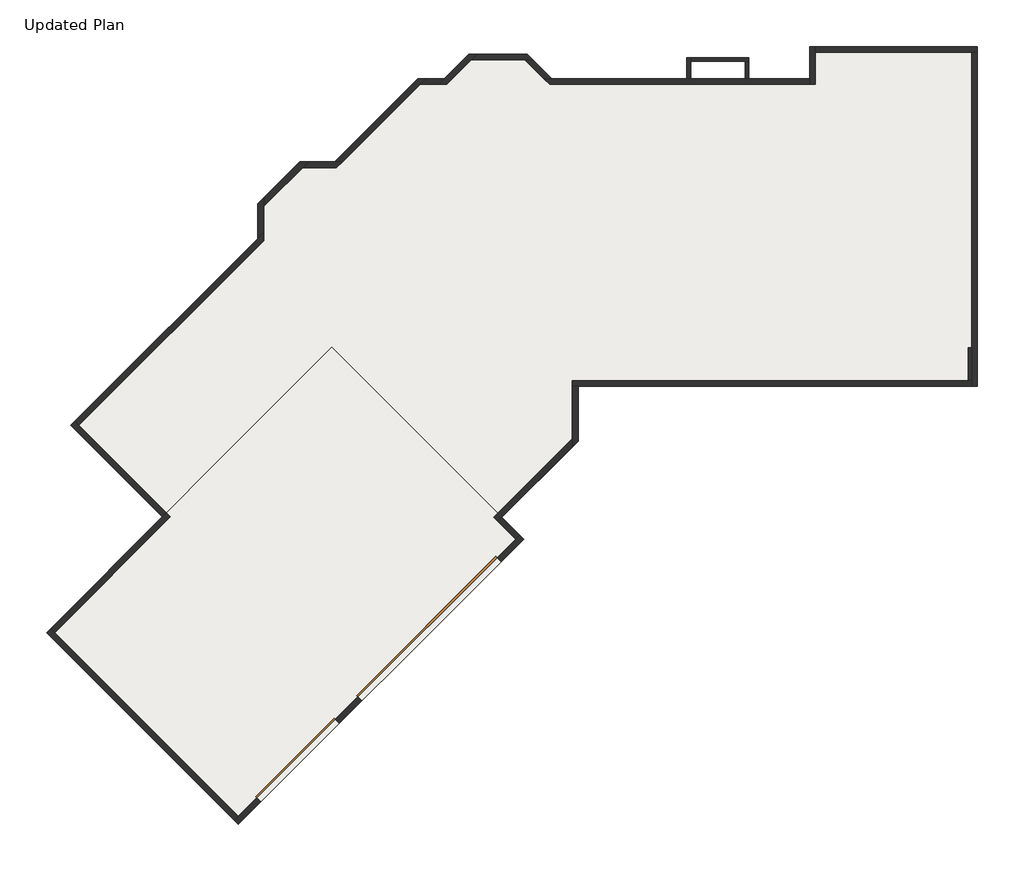
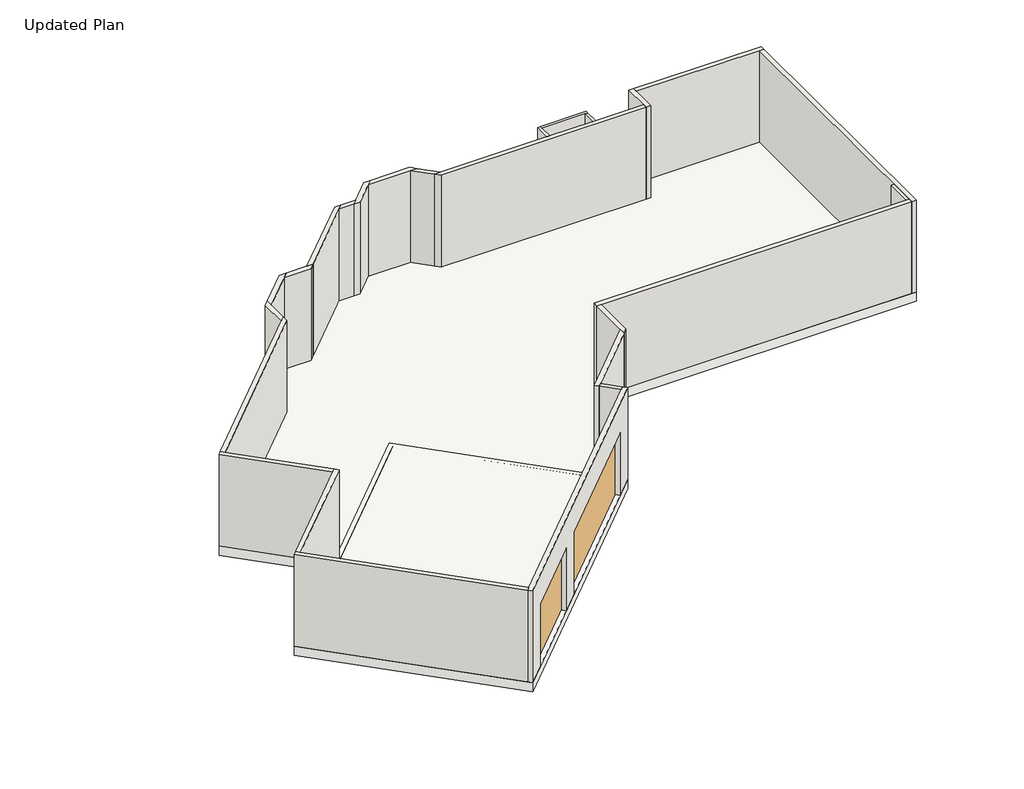
# One storey: 25 walls, 2 doors, 2 slabs.
"""IFC4 building model written with IfcOpenShell, lengths in millimetres."""

import ifcopenshell
import ifcopenshell.guid

model = None  # the IFC model being written
_history = None  # IfcOwnerHistory: only IFC2X3 demands one
_inside = {}  # id of a spatial element -> (the spatial element, [elements in it])
_under = {}  # id of a project, library or spatial element -> (it, [spatial elements below it])
_declared = {}  # id of a project -> (the project, [libraries it declares])
_typed = {}  # id of a type object -> (the type object, [elements of that type])
_made_of = {}  # id of a material, layer set ... -> (it, [elements and type objects made of it])


def new_model(schema):
    """Start an empty IFC model of exactly this schema.

    Asked for "IFC4X3", IfcOpenShell would pick the latest addendum, in which some entities
    have other attributes; the version numbers below select the first issue.
    IFC2X3 requires an IfcOwnerHistory on every rooted entity: one is made here for all.
    """
    global model, _history
    if schema == "IFC4X3":
        model = ifcopenshell.file(schema_version=(4, 3, 0, 0))
    else:
        model = ifcopenshell.file(schema=schema)
    _inside.clear()
    _under.clear()
    _declared.clear()
    _typed.clear()
    _made_of.clear()
    _history = None
    if model.schema == "IFC2X3":
        org = make("IfcOrganization", Name="unknown")
        user = make(
            "IfcPersonAndOrganization",
            ThePerson=make("IfcPerson", FamilyName="unknown"),
            TheOrganization=org,
        )
        app = make(
            "IfcApplication",
            ApplicationDeveloper=org,
            Version="unknown",
            ApplicationFullName="unknown",
            ApplicationIdentifier="unknown",
        )
        _history = make(
            "IfcOwnerHistory",
            OwningUser=user,
            OwningApplication=app,
            ChangeAction="ADDED",
            CreationDate=0,
        )
    return model


def make(cls, **values):
    """One entity of the class cls with the attributes given. An attribute that is None is left unset."""
    return model.create_entity(
        cls, **{name: value for name, value in values.items() if value is not None}
    )


def rooted(cls, **values):
    """An entity with a GlobalId (a new one), such as an element, a storey or a relation."""
    return make(cls, GlobalId=ifcopenshell.guid.new(), OwnerHistory=_history, **values)


def si_unit(unit_type, name, prefix=None):
    """IfcSIUnit, for example si_unit("LENGTHUNIT", "METRE", prefix="MILLI")."""
    return make("IfcSIUnit", UnitType=unit_type, Prefix=prefix, Name=name)


def assignment(units):
    """IfcUnitAssignment: the units of a project."""
    return None if units is None else make("IfcUnitAssignment", Units=units)


def point(xyz):
    """IfcCartesianPoint."""
    return None if xyz is None else make("IfcCartesianPoint", Coordinates=xyz)


def direction(xyz):
    """IfcDirection."""
    return None if xyz is None else make("IfcDirection", DirectionRatios=xyz)


def frame(location, z_axis=None, x_axis=None):
    """IfcAxis2Placement3D, a coordinate frame: its origin and axes. An axis left out is left unset."""
    return make(
        "IfcAxis2Placement3D",
        Location=point(location),
        Axis=direction(z_axis),
        RefDirection=direction(x_axis),
    )


def origin():
    """The frame at (0, 0, 0) with its axes left unset."""
    return frame((0.0, 0.0, 0.0))


def origin_with_axes():
    """The frame at (0, 0, 0) with the z axis (0, 0, 1) and the x axis (1, 0, 0) written out."""
    return frame((0.0, 0.0, 0.0), z_axis=(0.0, 0.0, 1.0), x_axis=(1.0, 0.0, 0.0))


def place(relative_to, where):
    """IfcLocalPlacement: puts the frame where relative to a parent placement (None: the world)."""
    return make(
        "IfcLocalPlacement", PlacementRelTo=relative_to, RelativePlacement=where
    )


def context(
    kind, dimensions, precision=None, world=None, true_north=None, identifier=None
):
    """IfcGeometricRepresentationContext, for example the 3D "Model" context."""
    return make(
        "IfcGeometricRepresentationContext",
        ContextIdentifier=identifier,
        ContextType=kind,
        CoordinateSpaceDimension=dimensions,
        Precision=precision,
        WorldCoordinateSystem=world,
        TrueNorth=true_north,
    )


def project(units=None, contexts=None):
    """IfcProject with its units and contexts."""
    return rooted(
        "IfcProject",
        Name="project",
        RepresentationContexts=contexts,
        UnitsInContext=assignment(units),
    )


def spatial(cls, under=None, at=None, **own):
    """A site, building, storey or space (cls), placed at a placement, below another one or the project."""
    s = rooted(cls, ObjectPlacement=at, **own)
    if under is not None:
        _under.setdefault(under.id(), (under, []))[1].append(s)
    return s


def polyline(points):
    """IfcPolyline through the points."""
    return make("IfcPolyline", Points=[point(p) for p in points])


def outline(outer, holes=None, kind="AREA"):
    """IfcArbitraryClosedProfileDef: a profile drawn as a closed curve; with holes, ...WithVoids."""
    if holes is None:
        return make("IfcArbitraryClosedProfileDef", ProfileType=kind, OuterCurve=outer)
    return make(
        "IfcArbitraryProfileDefWithVoids",
        ProfileType=kind,
        OuterCurve=outer,
        InnerCurves=holes,
    )


def extrude(swept, where, along, depth):
    """IfcExtrudedAreaSolid: the profile swept, set in the frame where, extruded along a direction by depth."""
    return make(
        "IfcExtrudedAreaSolid",
        SweptArea=swept,
        Position=where,
        ExtrudedDirection=direction(along),
        Depth=depth,
    )


def faces_of(points, faces, orient=None, outer=None):
    """IfcFace entities. A face is a list of loops; a loop is a list of indices into points, from 0.

    orient and outer hold one flag for each loop. By default every Orientation is true, the
    first loop of a face is its IfcFaceOuterBound and the others are IfcFaceBound.
    """
    made = []
    for i, loops in enumerate(faces):
        bounds = []
        for j, loop in enumerate(loops):
            is_outer = j == 0 if outer is None else outer[i][j]
            bounds.append(
                make(
                    "IfcFaceOuterBound" if is_outer else "IfcFaceBound",
                    Bound=make("IfcPolyLoop", Polygon=[points[k] for k in loop]),
                    Orientation=True if orient is None else orient[i][j],
                )
            )
        made.append(make("IfcFace", Bounds=bounds))
    return made


def faceted_brep(points, faces, orient=None, outer=None, voids=None):
    """IfcFacetedBrep: a solid bounded by flat faces; with voids (closed shells), ...WithVoids."""
    shared = [point(p) for p in points]
    hull = make("IfcClosedShell", CfsFaces=faces_of(shared, faces, orient, outer))
    if voids is None:
        return make("IfcFacetedBrep", Outer=hull)
    return make(
        "IfcFacetedBrepWithVoids",
        Outer=hull,
        Voids=[
            make(cls, CfsFaces=faces_of(shared, fs, o, b)) for cls, fs, o, b in voids
        ],
    )


def shape(context_of_items, identifier, shape_type, items):
    """IfcShapeRepresentation: the items that make up one representation, for example the "Body"."""
    return make(
        "IfcShapeRepresentation",
        ContextOfItems=context_of_items,
        RepresentationIdentifier=identifier,
        RepresentationType=shape_type,
        Items=items,
    )


def source(mapping_origin, context_of_items, identifier, shape_type, items):
    """IfcRepresentationMap: a shape defined once, which mapped items show again and again."""
    return make(
        "IfcRepresentationMap",
        MappingOrigin=mapping_origin,
        MappedRepresentation=shape(context_of_items, identifier, shape_type, items),
    )


def transform(
    local_origin,
    x_axis=None,
    y_axis=None,
    z_axis=None,
    scale=None,
    scale2=None,
    scale3=None,
    uniform=True,
):
    """IfcCartesianTransformationOperator3D, or its non-uniform kind. x_axis, y_axis, z_axis: its Axis1, 2, 3."""
    if uniform:
        return make(
            "IfcCartesianTransformationOperator3D",
            Axis1=direction(x_axis),
            Axis2=direction(y_axis),
            LocalOrigin=point(local_origin),
            Scale=scale,
            Axis3=direction(z_axis),
        )
    return make(
        "IfcCartesianTransformationOperator3DnonUniform",
        Axis1=direction(x_axis),
        Axis2=direction(y_axis),
        LocalOrigin=point(local_origin),
        Scale=scale,
        Axis3=direction(z_axis),
        Scale2=scale2,
        Scale3=scale3,
    )


def mapped(mapping_source, mapping_target):
    """IfcMappedItem: shows the shape of a source again, moved by a transform."""
    return make(
        "IfcMappedItem", MappingSource=mapping_source, MappingTarget=mapping_target
    )


def made_of(thing, what):
    """Note that an element or type object is made of a material, layer set ...; save() writes the relation."""
    if what is not None:
        _made_of.setdefault(what.id(), (what, []))[1].append(thing)
    return thing


def element(
    cls,
    number,
    at=None,
    inside=None,
    cuts=None,
    type_object=None,
    material=None,
    context=None,
    identifier="Body",
    shape_type=None,
    held_by="IfcProductDefinitionShape",
    body=None,
    shapes=None,
    **own,
):
    """One element of the class cls, such as IfcWall. Its Tag is "e" and its number.

    at: its placement. inside: the storey or other place that contains it. cuts: it is an
    opening in that element (IfcRelVoidsElement). A single representation is given by context,
    identifier, shape_type and body (its items); several are given by shapes. held_by: the class
    of the entity that holds the representations. save() writes the other relations.
    """
    e = rooted(cls, Tag="e%d" % number, ObjectPlacement=at, **own)
    if body is not None:
        shapes = [shape(context, identifier, shape_type, body)]
    if shapes is not None:
        e.Representation = make(held_by, Representations=shapes)
    if inside is not None:
        _inside.setdefault(inside.id(), (inside, []))[1].append(e)
    if cuts is not None:
        rooted(
            "IfcRelVoidsElement", RelatingBuildingElement=cuts, RelatedOpeningElement=e
        )
    if type_object is not None:
        _typed.setdefault(type_object.id(), (type_object, []))[1].append(e)
    return made_of(e, material)


def aggregate(whole, parts):
    """IfcRelAggregates: a whole, such as a stair, and the parts it consists of."""
    return rooted("IfcRelAggregates", RelatingObject=whole, RelatedObjects=parts)


def save(model, path):
    """Write the relations noted so far, then the file.

    IfcRelAggregates (storeys below a building ...), IfcRelContainedInSpatialStructure (elements
    in a storey), IfcRelDefinesByType, IfcRelAssociatesMaterial and IfcRelDeclares: one each for
    every whole, place, type object, material and project.
    """
    for whole, parts in _under.values():
        aggregate(whole, parts)
    for where, things in _inside.values():
        rooted(
            "IfcRelContainedInSpatialStructure",
            RelatedElements=things,
            RelatingStructure=where,
        )
    for kind, things in _typed.values():
        rooted("IfcRelDefinesByType", RelatedObjects=things, RelatingType=kind)
    for what, things in _made_of.values():
        rooted("IfcRelAssociatesMaterial", RelatedObjects=things, RelatingMaterial=what)
    for by, libraries in _declared.values():
        rooted("IfcRelDeclares", RelatingContext=by, RelatedDefinitions=libraries)
    model.write(path)


def overhead_sectional_e486bdd9(model_context):
    return source(origin(), model_context, "Body", "SweptSolid", [
        extrude(outline(polyline([(2438.4, -69.85), (2438.4, -107.95), (-2438.4, -107.95), (-2438.4, -69.85), (2438.4, -69.85)])), origin_with_axes(), (0.0, 0.0, 1.0), 2082.8),
    ])


def overhead_sectional_3e008767(model_context):
    return source(origin(), model_context, "Body", "SweptSolid", [
        extrude(outline(polyline([(1371.6, -69.85), (1371.6, -107.95), (-1371.6, -107.95), (-1371.6, -69.85), (1371.6, -69.85)])), origin_with_axes(), (0.0, 0.0, 1.0), 2082.8),
    ])


model = new_model("IFC4")

# Units and contexts
model_context = context("Model", 3, world=origin())
ifc_project = project(units=[si_unit("LENGTHUNIT", "METRE", prefix="MILLI")], contexts=[model_context])

# Site, building, storey
site = spatial("IfcSite", under=ifc_project)
building = spatial("IfcBuilding", under=site)
storey = spatial("IfcBuildingStorey", under=building, Name="Updated Plan", Elevation=0.0)

# Doors
placement = place(None, origin())
overhead_sectional_shape = overhead_sectional_e486bdd9(model_context)
element("IfcDoor", 1, ObjectType="Overhead-Sectional", at=placement, inside=storey, context=model_context, shape_type="MappedRepresentation", body=[
    mapped(overhead_sectional_shape, transform((4331.5433003, 297.3443076, 0.0), x_axis=(-0.7071067811865481, -0.7071067811865469, 0.0), y_axis=(0.7071067811865469, -0.7071067811865481, 0.0), z_axis=(0.0, 0.0, 1.0))),
])
overhead_sectional_2_shape = overhead_sectional_3e008767(model_context)
element("IfcDoor", 2, ObjectType="Overhead-Sectional", at=placement, inside=storey, context=model_context, shape_type="MappedRepresentation", body=[
    mapped(overhead_sectional_2_shape, transform((1080.6905844, -2953.5084082, 0.0), x_axis=(-0.7071067811865481, -0.7071067811865469, 0.0), y_axis=(0.7071067811865469, -0.7071067811865481, 0.0), z_axis=(0.0, 0.0, 1.0))),
])

# Slabs
element("IfcSlab", 3, ObjectType="Generic - 12\"", at=placement, inside=storey, context=model_context, shape_type="SweptSolid", body=[
    extrude(outline(polyline([(-4536.4596193, 5339.7581196), (80.5059604, 9956.7236993), (80.5059604, 10818.8282869), (1126.9542622, 11865.2765887), (1989.0588498, 11865.2765887), (4041.540044, 13917.7577828), (4701.9359519, 13917.7577828), (5311.5359519, 14527.3577828), (6751.832321, 14527.3577828), (7361.432321, 13917.7577828), (13736.8043792, 13917.7577828), (13736.8043792, 14711.8175305), (17889.7043792, 14711.8175305), (17889.7043792, 6304.4175305), (8009.1043792, 6304.4175305), (8009.1043792, 4953.7533038), (6024.3215791, 2968.9705036), (1920.3445318, 7072.947551), (-2174.6522594, 2977.9507598), (-4536.4596193, 5339.7581196)])), frame((0.0, 0.0, -304.8), z_axis=(0.0, 0.0, 1.0), x_axis=(1.0, 0.0, 0.0)), (0.0, 0.0, 1.0), 304.8),
])
element("IfcSlab", 4, ObjectType="Generic - 12\"", at=placement, inside=storey, context=model_context, shape_type="SweptSolid", body=[
    extrude(outline(polyline([(1920.3445318, 7270.5131856), (6661.9197637, 2528.9379537), (-396.5615475, -4529.5433574), (-5138.1367794, 212.0318745), (1920.3445318, 7270.5131856)])), frame((0.0, 0.0, -304.8), z_axis=(0.0, 0.0, 1.0), x_axis=(1.0, 0.0, 0.0)), (0.0, 0.0, 1.0), 304.8),
])

# Walls
element("IfcWall", 5, ObjectType="Generic - 3 1/2\"", at=placement, inside=storey, context=model_context, shape_type="Brep", body=[
    faceted_brep([(10793.5793792, 13917.7577828, 0.0), (10793.5793792, 14342.2731501, 0.0), (10793.5793792, 14431.1731501, 0.0), (10793.5793792, 14431.1731501, 3048.0), (10793.5793792, 14342.2731501, 3048.0), (10793.5793792, 13917.7577828, 3048.0), (10704.6793792, 13917.7577828, 0.0), (10704.6793792, 13917.7577828, 3048.0), (10704.6793792, 14431.1731501, 3048.0), (10704.6793792, 14431.1731501, 0.0)], [[[0, 1, 2, 3, 4, 5]], [[6, 7, 8, 9]], [[2, 1, 0, 6, 9]], [[5, 4, 3, 8, 7]], [[0, 5, 7, 6]], [[3, 2, 9, 8]]]),
])
element("IfcWall", 6, ObjectType="Generic - 3 1/2\"", at=placement, inside=storey, context=model_context, shape_type="Brep", body=[
    faceted_brep([(10793.5793792, 14342.2731501, 0.0), (12139.7793792, 14342.2731501, 0.0), (12228.6793792, 14342.2731501, 0.0), (12228.6793792, 14342.2731501, 3048.0), (12139.7793792, 14342.2731501, 3048.0), (10793.5793792, 14342.2731501, 3048.0), (10793.5793792, 14431.1731501, 0.0), (10793.5793792, 14431.1731501, 3048.0), (12228.6793792, 14431.1731501, 3048.0), (12228.6793792, 14431.1731501, 0.0)], [[[0, 1, 2, 3, 4, 5]], [[6, 7, 8, 9]], [[2, 1, 0, 6, 9]], [[5, 4, 3, 8, 7]], [[0, 5, 7, 6]], [[3, 2, 9, 8]]]),
])
element("IfcWall", 7, ObjectType="Generic - 3 1/2\"", at=placement, inside=storey, context=model_context, shape_type="SweptSolid", body=[
    extrude(outline(polyline([(12139.7793792, 13917.7577828), (12139.7793792, 14342.2731501), (12228.6793792, 14342.2731501), (12228.6793792, 13917.7577828), (12139.7793792, 13917.7577828)])), origin_with_axes(), (0.0, 0.0, 1.0), 3048.0),
])
element("IfcWall", 8, ObjectType="Generic - 3 1/2\"", at=placement, inside=storey, context=model_context, shape_type="SweptSolid", body=[
    extrude(outline(polyline([(17750.0043792, 7256.9175305), (17750.0043792, 6444.1175305), (17661.1043792, 6444.1175305), (17661.1043792, 7256.9175305), (17750.0043792, 7256.9175305)])), origin_with_axes(), (0.0, 0.0, 1.0), 3048.0),
])
element("IfcWall", 9, ObjectType="Generic - 5 1/2\"", at=placement, inside=storey, context=model_context, shape_type="Brep", body=[
    faceted_brep([(13876.5043792, 14572.1175305, 0.0), (17750.0043792, 14572.1175305, 0.0), (17889.7043792, 14572.1175305, 0.0), (17889.7043792, 14572.1175305, 3048.0), (17750.0043792, 14572.1175305, 3048.0), (13876.5043792, 14572.1175305, 3048.0), (13876.5043792, 14711.8175305, 0.0), (13876.5043792, 14711.8175305, 3048.0), (17889.7043792, 14711.8175305, 3048.0), (17889.7043792, 14711.8175305, 0.0)], [[[0, 1, 2, 3, 4, 5]], [[6, 7, 8, 9]], [[2, 1, 0, 6, 9]], [[5, 4, 3, 8, 7]], [[3, 2, 9, 8]], [[0, 5, 7, 6]]]),
])
element("IfcWall", 10, ObjectType="Generic - 5 1/2\"", at=placement, inside=storey, context=model_context, shape_type="Brep", body=[
    faceted_brep([(17750.0043792, 14572.1175305, 0.0), (17750.0043792, 6444.1175305, 0.0), (17750.0043792, 6304.4175305, 0.0), (17750.0043792, 6304.4175305, 3048.0), (17750.0043792, 6444.1175305, 3048.0), (17750.0043792, 14572.1175305, 3048.0), (17889.7043792, 14572.1175305, 0.0), (17889.7043792, 14572.1175305, 3048.0), (17889.7043792, 6304.4175305, 3048.0), (17889.7043792, 6304.4175305, 0.0)], [[[0, 1, 2, 3, 4, 5]], [[6, 7, 8, 9]], [[2, 1, 0, 6, 9]], [[5, 4, 3, 8, 7]], [[0, 5, 7, 6]], [[3, 2, 9, 8]]]),
])
element("IfcWall", 11, ObjectType="Generic - 5 1/2\"", at=placement, inside=storey, context=model_context, shape_type="Brep", body=[
    faceted_brep([(17750.0043792, 6444.1175305, 0.0), (17661.1043792, 6444.1175305, 0.0), (7869.4043792, 6444.1175305, 0.0), (7869.4043792, 6444.1175305, 3048.0), (17661.1043792, 6444.1175305, 3048.0), (17750.0043792, 6444.1175305, 3048.0), (17750.0043792, 6304.4175305, 0.0), (17750.0043792, 6304.4175305, 3048.0), (8009.1043792, 6304.4175305, 3048.0), (7869.4043792, 6304.4175305, 3048.0), (7869.4043792, 6304.4175305, 0.0), (8009.1043792, 6304.4175305, 0.0)], [[[0, 1, 2, 3, 4, 5]], [[6, 7, 8, 9, 10, 11]], [[2, 1, 0, 6, 11, 10]], [[5, 4, 3, 9, 8, 7]], [[3, 2, 10, 9]], [[0, 5, 7, 6]]]),
])
element("IfcWall", 12, ObjectType="Generic - 5 1/2\"", at=placement, inside=storey, context=model_context, shape_type="Brep", body=[
    faceted_brep([(7869.4043792, 6304.4175305, 0.0), (7869.4043792, 5011.6189384, 0.0), (7869.4043792, 4814.0533038, 0.0), (7869.4043792, 4814.0533038, 3048.0), (7869.4043792, 5011.6189384, 3048.0), (7869.4043792, 6304.4175305, 3048.0), (8009.1043792, 6304.4175305, 0.0), (8009.1043792, 6304.4175305, 3048.0), (8009.1043792, 4953.7533038, 3048.0), (8009.1043792, 4953.7533038, 0.0)], [[[0, 1, 2, 3, 4, 5]], [[6, 7, 8, 9]], [[2, 1, 0, 6, 9]], [[5, 4, 3, 8, 7]], [[0, 5, 7, 6]], [[3, 2, 9, 8]]]),
])
element("IfcWall", 13, ObjectType="Generic - 5 1/2\"", at=placement, inside=storey, context=model_context, shape_type="Brep", body=[
    faceted_brep([(7869.4043792, 5011.6189384, 0.0), (5925.5387618, 3067.753321, 0.0), (5925.5387618, 3067.753321, 3048.0), (7869.4043792, 5011.6189384, 3048.0), (7869.4043792, 4814.0533038, 0.0), (7869.4043792, 4814.0533038, 3048.0), (6123.1043964, 3067.753321, 3048.0), (6024.3215791, 2968.9705036, 3048.0), (6024.3215791, 2968.9705036, 0.0), (6123.1043964, 3067.753321, 0.0)], [[[0, 1, 2, 3]], [[4, 5, 6, 7, 8, 9]], [[1, 0, 4, 9, 8]], [[3, 2, 7, 6, 5]], [[0, 3, 5, 4]], [[2, 1, 8, 7]]]),
])
element("IfcWall", 14, ObjectType="Generic - 5 1/2\"", at=placement, inside=storey, context=model_context, shape_type="Brep", body=[
    faceted_brep([(-495.3443648, -4430.7605401, 3048.0), (-396.5615475, -4331.9777228, 3048.0), (6464.354129, 2528.9379537, 3048.0), (6563.1369464, 2627.720771, 3048.0), (6563.1369464, 2627.720771, 0.0), (6464.354129, 2528.9379537, 0.0), (6006.3610669, 2070.9448915, 0.0), (6006.3610669, 2070.9448915, 2082.8), (2557.9427164, -1377.473459, 2082.8), (2557.9427164, -1377.473459, 0.0), (2001.1668369, -1934.2493385, 0.0), (2001.1668369, -1934.2493385, 2082.8), (61.4315147, -3873.9846606, 2082.8), (61.4315147, -3873.9846606, 0.0), (-396.5615475, -4331.9777228, 0.0), (-495.3443648, -4430.7605401, 0.0), (6661.9197637, 2528.9379537, 3048.0), (-396.5615475, -4529.5433574, 3048.0), (-396.5615475, -4529.5433574, 0.0), (160.214332, -3972.7674779, 0.0), (160.214332, -3972.7674779, 2082.8), (2099.9496542, -2033.0321558, 2082.8), (2099.9496542, -2033.0321558, 0.0), (2656.7255337, -1476.2562763, 0.0), (2656.7255337, -1476.2562763, 2082.8), (6105.1438842, 1972.1620742, 2082.8), (6105.1438842, 1972.1620742, 0.0), (6661.9197637, 2528.9379537, 0.0)], [[[0, 1, 2, 3, 4, 5, 6, 7, 8, 9, 10, 11, 12, 13, 14, 15]], [[16, 17, 18, 19, 20, 21, 22, 23, 24, 25, 26, 27]], [[18, 15, 14, 13, 19]], [[4, 27, 26, 6, 5]], [[22, 10, 9, 23]], [[3, 2, 1, 0, 17, 16]], [[0, 15, 18, 17]], [[4, 3, 16, 27]], [[12, 20, 19, 13]], [[20, 12, 11, 21]], [[21, 11, 10, 22]], [[8, 24, 23, 9]], [[24, 8, 7, 25]], [[25, 7, 6, 26]]]),
])
element("IfcWall", 15, ObjectType="Generic - 5 1/2\"", at=placement, inside=storey, context=model_context, shape_type="Brep", body=[
    faceted_brep([(-396.5615475, -4331.9777228, 0.0), (-4940.5711447, 212.0318745, 0.0), (-5039.3539621, 310.8146918, 0.0), (-5039.3539621, 310.8146918, 3048.0), (-4940.5711447, 212.0318745, 3048.0), (-396.5615475, -4331.9777228, 3048.0), (-495.3443648, -4430.7605401, 0.0), (-495.3443648, -4430.7605401, 3048.0), (-5138.1367794, 212.0318745, 3048.0), (-5138.1367794, 212.0318745, 0.0)], [[[0, 1, 2, 3, 4, 5]], [[6, 7, 8, 9]], [[2, 1, 0, 6, 9]], [[5, 4, 3, 8, 7]], [[3, 2, 9, 8]], [[0, 5, 7, 6]]]),
])
element("IfcWall", 16, ObjectType="Generic - 5 1/2\"", at=placement, inside=storey, context=model_context, shape_type="Brep", body=[
    faceted_brep([(-4940.5711447, 212.0318745, 0.0), (-2075.8694421, 3076.7335771, 0.0), (-2075.8694421, 3076.7335771, 3048.0), (-4940.5711447, 212.0318745, 3048.0), (-5039.3539621, 310.8146918, 0.0), (-5039.3539621, 310.8146918, 3048.0), (-2273.4350768, 3076.7335771, 3048.0), (-2174.6522594, 3175.5163944, 3048.0), (-2174.6522594, 3175.5163944, 0.0), (-2273.4350768, 3076.7335771, 0.0)], [[[0, 1, 2, 3]], [[4, 5, 6, 7, 8, 9]], [[1, 0, 4, 9, 8]], [[3, 2, 7, 6, 5]], [[0, 3, 5, 4]], [[2, 1, 8, 7]]]),
])
element("IfcWall", 17, ObjectType="Generic - 5 1/2\"", at=placement, inside=storey, context=model_context, shape_type="Brep", body=[
    faceted_brep([(-2174.6522594, 3175.5163944, 0.0), (-4338.8939846, 5339.7581196, 0.0), (-4437.6768019, 5438.5409369, 0.0), (-4437.6768019, 5438.5409369, 3048.0), (-4338.8939846, 5339.7581196, 3048.0), (-2174.6522594, 3175.5163944, 3048.0), (-2273.4350768, 3076.7335771, 0.0), (-2273.4350768, 3076.7335771, 3048.0), (-4536.4596193, 5339.7581196, 3048.0), (-4536.4596193, 5339.7581196, 0.0)], [[[0, 1, 2, 3, 4, 5]], [[6, 7, 8, 9]], [[2, 1, 0, 6, 9]], [[5, 4, 3, 8, 7]], [[3, 2, 9, 8]], [[0, 5, 7, 6]]]),
])
element("IfcWall", 18, ObjectType="Generic - 5 1/2\"", at=placement, inside=storey, context=model_context, shape_type="Brep", body=[
    faceted_brep([(-4338.8939846, 5339.7581196, 0.0), (232.9059604, 9911.5580646, 0.0), (232.9059604, 9911.5580646, 3048.0), (-4338.8939846, 5339.7581196, 3048.0), (-4437.6768019, 5438.5409369, 0.0), (-4437.6768019, 5438.5409369, 3048.0), (80.5059604, 9956.7236993, 3048.0), (232.9059604, 10109.1236993, 3048.0), (232.9059604, 10109.1236993, 0.0), (80.5059604, 9956.7236993, 0.0)], [[[0, 1, 2, 3]], [[4, 5, 6, 7, 8, 9]], [[1, 0, 4, 9, 8]], [[3, 2, 7, 6, 5]], [[0, 3, 5, 4]], [[2, 1, 8, 7]]]),
])
element("IfcWall", 19, ObjectType="Generic - 5 1/2\"", at=placement, inside=storey, context=model_context, shape_type="Brep", body=[
    faceted_brep([(13736.8043792, 14711.8175305, 0.0), (13736.8043792, 13917.7577828, 0.0), (13736.8043792, 13778.0577828, 0.0), (13736.8043792, 13778.0577828, 3048.0), (13736.8043792, 13917.7577828, 3048.0), (13736.8043792, 14711.8175305, 3048.0), (13876.5043792, 14711.8175305, 0.0), (13876.5043792, 14711.8175305, 3048.0), (13876.5043792, 14572.1175305, 3048.0), (13876.5043792, 13778.0577828, 3048.0), (13876.5043792, 13778.0577828, 0.0), (13876.5043792, 14572.1175305, 0.0)], [[[0, 1, 2, 3, 4, 5]], [[6, 7, 8, 9, 10, 11]], [[2, 1, 0, 6, 11, 10]], [[5, 4, 3, 9, 8, 7]], [[0, 5, 7, 6]], [[3, 2, 10, 9]]]),
])
element("IfcWall", 20, ObjectType="Generic - 5 1/2\"", at=placement, inside=storey, context=model_context, shape_type="Brep", body=[
    faceted_brep([(13736.8043792, 13917.7577828, 0.0), (12228.6793792, 13917.7577828, 0.0), (12139.7793792, 13917.7577828, 0.0), (10793.5793792, 13917.7577828, 0.0), (10704.6793792, 13917.7577828, 0.0), (7361.432321, 13917.7577828, 0.0), (7163.8666864, 13917.7577828, 0.0), (7163.8666864, 13917.7577828, 3048.0), (7361.432321, 13917.7577828, 3048.0), (10704.6793792, 13917.7577828, 3048.0), (10793.5793792, 13917.7577828, 3048.0), (12139.7793792, 13917.7577828, 3048.0), (12228.6793792, 13917.7577828, 3048.0), (13736.8043792, 13917.7577828, 3048.0), (13736.8043792, 13778.0577828, 0.0), (13736.8043792, 13778.0577828, 3048.0), (7303.5666864, 13778.0577828, 3048.0), (7303.5666864, 13778.0577828, 0.0)], [[[0, 1, 2, 3, 4, 5, 6, 7, 8, 9, 10, 11, 12, 13]], [[14, 15, 16, 17]], [[6, 5, 4, 3, 2, 1, 0, 14, 17]], [[13, 12, 11, 10, 9, 8, 7, 16, 15]], [[0, 13, 15, 14]], [[7, 6, 17, 16]]]),
])
element("IfcWall", 21, ObjectType="Generic - 5 1/2\"", at=placement, inside=storey, context=model_context, shape_type="SweptSolid", body=[
    extrude(outline(polyline([(6464.354129, 2528.9379537), (6024.3215791, 2968.9705036), (6123.1043964, 3067.753321), (6563.1369464, 2627.720771), (6464.354129, 2528.9379537)])), origin_with_axes(), (0.0, 0.0, 1.0), 3048.0),
])
element("IfcWall", 22, ObjectType="Generic - 5 1/2\"", at=placement, inside=storey, context=model_context, shape_type="Brep", body=[
    faceted_brep([(4759.8015865, 13778.0577828, 0.0), (5369.4015865, 14387.6577828, 0.0), (5509.1015865, 14527.3577828, 0.0), (5509.1015865, 14527.3577828, 3048.0), (5369.4015865, 14387.6577828, 3048.0), (4759.8015865, 13778.0577828, 3048.0), (4562.2359519, 13778.0577828, 0.0), (4562.2359519, 13778.0577828, 3048.0), (4701.9359519, 13917.7577828, 3048.0), (5311.5359519, 14527.3577828, 3048.0), (5311.5359519, 14527.3577828, 0.0), (4701.9359519, 13917.7577828, 0.0)], [[[0, 1, 2, 3, 4, 5]], [[6, 7, 8, 9, 10, 11]], [[2, 1, 0, 6, 11, 10]], [[5, 4, 3, 9, 8, 7]], [[3, 2, 10, 9]], [[0, 5, 7, 6]]]),
])
element("IfcWall", 23, ObjectType="Generic - 5 1/2\"", at=placement, inside=storey, context=model_context, shape_type="Brep", body=[
    faceted_brep([(5369.4015865, 14387.6577828, 0.0), (6693.9666864, 14387.6577828, 0.0), (6891.532321, 14387.6577828, 0.0), (6891.532321, 14387.6577828, 3048.0), (6693.9666864, 14387.6577828, 3048.0), (5369.4015865, 14387.6577828, 3048.0), (5509.1015865, 14527.3577828, 0.0), (5509.1015865, 14527.3577828, 3048.0), (6751.832321, 14527.3577828, 3048.0), (6751.832321, 14527.3577828, 0.0)], [[[0, 1, 2, 3, 4, 5]], [[6, 7, 8, 9]], [[2, 1, 0, 6, 9]], [[5, 4, 3, 8, 7]], [[0, 5, 7, 6]], [[3, 2, 9, 8]]]),
])
element("IfcWall", 24, ObjectType="Generic - 5 1/2\"", at=placement, inside=storey, context=model_context, shape_type="SweptSolid", body=[
    extrude(outline(polyline([(7163.8666864, 13917.7577828), (6693.9666864, 14387.6577828), (6891.532321, 14387.6577828), (7361.432321, 13917.7577828), (7163.8666864, 13917.7577828)])), origin_with_axes(), (0.0, 0.0, 1.0), 3048.0),
])
element("IfcWall", 25, ObjectType="Generic - 5 1/2\"", at=placement, inside=storey, context=model_context, shape_type="Brep", body=[
    faceted_brep([(2186.6244845, 11865.2765887, 0.0), (4099.4056786, 13778.0577828, 0.0), (4239.1056786, 13917.7577828, 0.0), (4239.1056786, 13917.7577828, 3048.0), (4099.4056786, 13778.0577828, 3048.0), (2186.6244845, 11865.2765887, 3048.0), (1989.0588498, 11865.2765887, 0.0), (1989.0588498, 11865.2765887, 3048.0), (4041.540044, 13917.7577828, 3048.0), (4041.540044, 13917.7577828, 0.0)], [[[0, 1, 2, 3, 4, 5]], [[6, 7, 8, 9]], [[2, 1, 0, 6, 9]], [[5, 4, 3, 8, 7]], [[3, 2, 9, 8]], [[0, 5, 7, 6]]]),
])
element("IfcWall", 26, ObjectType="Generic - 5 1/2\"", at=placement, inside=storey, context=model_context, shape_type="SweptSolid", body=[
    extrude(outline(polyline([(4239.1056786, 13917.7577828), (4701.9359519, 13917.7577828), (4562.2359519, 13778.0577828), (4099.4056786, 13778.0577828), (4239.1056786, 13917.7577828)])), origin_with_axes(), (0.0, 0.0, 1.0), 3048.0),
])
element("IfcWall", 27, ObjectType="Generic - 6\"", at=placement, inside=storey, context=model_context, shape_type="Brep", body=[
    faceted_brep([(232.9059604, 10109.1236993, 0.0), (232.9059604, 10755.70214, 0.0), (232.9059604, 10971.2282869, 0.0), (232.9059604, 10971.2282869, 3048.0), (232.9059604, 10755.70214, 3048.0), (232.9059604, 10109.1236993, 3048.0), (80.5059604, 9956.7236993, 0.0), (80.5059604, 9956.7236993, 3048.0), (80.5059604, 10818.8282869, 3048.0), (80.5059604, 10818.8282869, 0.0)], [[[0, 1, 2, 3, 4, 5]], [[6, 7, 8, 9]], [[2, 1, 0, 6, 9]], [[5, 4, 3, 8, 7]], [[3, 2, 9, 8]], [[0, 5, 7, 6]]]),
])
element("IfcWall", 28, ObjectType="Generic - 6\"", at=placement, inside=storey, context=model_context, shape_type="Brep", body=[
    faceted_brep([(232.9059604, 10755.70214, 0.0), (1190.0804091, 11712.8765887, 0.0), (1342.4804091, 11865.2765887, 0.0), (1342.4804091, 11865.2765887, 3048.0), (1190.0804091, 11712.8765887, 3048.0), (232.9059604, 10755.70214, 3048.0), (232.9059604, 10971.2282869, 0.0), (232.9059604, 10971.2282869, 3048.0), (1126.9542622, 11865.2765887, 3048.0), (1126.9542622, 11865.2765887, 0.0)], [[[0, 1, 2, 3, 4, 5]], [[6, 7, 8, 9]], [[2, 1, 0, 6, 9]], [[5, 4, 3, 8, 7]], [[0, 5, 7, 6]], [[3, 2, 9, 8]]]),
])
element("IfcWall", 29, ObjectType="Generic - 6\"", at=placement, inside=storey, context=model_context, shape_type="Brep", body=[
    faceted_brep([(1190.0804091, 11712.8765887, 0.0), (2034.2244845, 11712.8765887, 0.0), (2034.2244845, 11712.8765887, 3048.0), (1190.0804091, 11712.8765887, 3048.0), (1342.4804091, 11865.2765887, 0.0), (1342.4804091, 11865.2765887, 3048.0), (1989.0588498, 11865.2765887, 3048.0), (2186.6244845, 11865.2765887, 3048.0), (2186.6244845, 11865.2765887, 0.0), (1989.0588498, 11865.2765887, 0.0)], [[[0, 1, 2, 3]], [[4, 5, 6, 7, 8, 9]], [[1, 0, 4, 9, 8]], [[3, 2, 7, 6, 5]], [[0, 3, 5, 4]], [[2, 1, 8, 7]]]),
])

save(model, "model.ifc")
